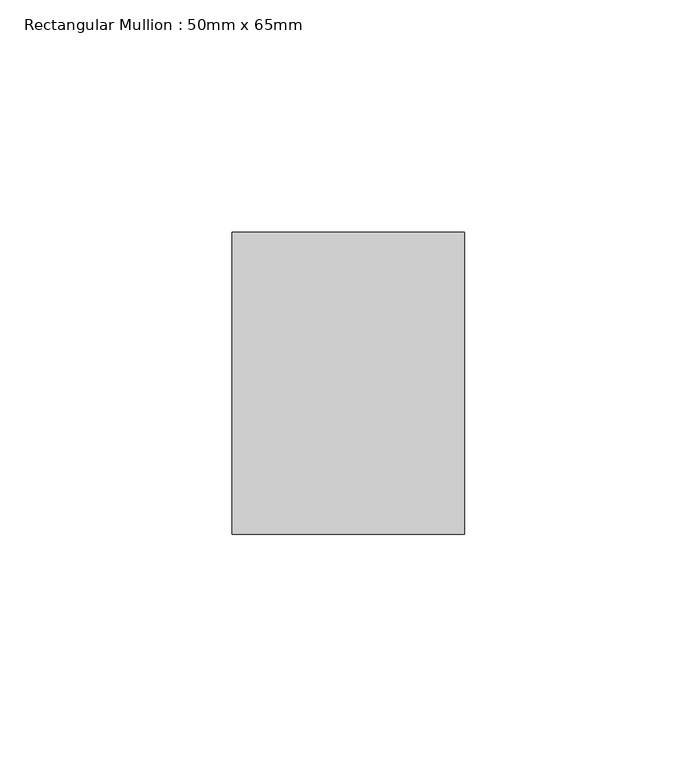
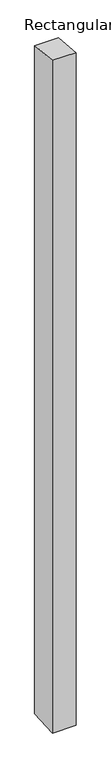
"""IFC4 building model written with IfcOpenShell, lengths in millimetres: member geometry, Rectangular Mullion : 50mm x 65mm."""

from ifc_helpers import new_model, si_unit, frame, origin, place, context, project, spatial, polyline, outline, extrude, source, transform, mapped, element, save


def rectangular_mullion_50mm_x_65mm_de91dfd1(model_context):
    return source(origin(), model_context, "Body", "SweptSolid", [
        extrude(outline(polyline([(-32.5, 3.1469373), (32.5, -3.1469372), (32.5, -1497.8334326), (-32.5, -1502.1653889), (-32.5, 3.1469373)])), frame((-25.0, 0.0, 0.0), z_axis=(1.0, 0.0, 0.0), x_axis=(0.0, 1.0, 0.0)), (0.0, 0.0, 1.0), 50.0),
    ])


if __name__ == "__main__":
    model = new_model("IFC4")
    model_context = context("Model", 3, world=origin())
    ifc_project = project(units=[si_unit("LENGTHUNIT", "METRE", prefix="MILLI")], contexts=[model_context])
    site = spatial("IfcSite", under=ifc_project)
    building = spatial("IfcBuilding", under=site)
    placement = place(None, origin())
    rectangular_mullion_50mm_x_65mm_shape = rectangular_mullion_50mm_x_65mm_de91dfd1(model_context)
    element("IfcMember", 1, ObjectType="Rectangular Mullion : 50mm x 65mm", at=placement, inside=building, context=model_context, shape_type="MappedRepresentation", body=[
        mapped(rectangular_mullion_50mm_x_65mm_shape, transform((0.0, 0.0, 0.0), x_axis=(1.0, 0.0, 0.0), y_axis=(0.0, 1.0, 0.0), z_axis=(0.0, 0.0, 1.0))),
    ])
    save(model, "model.ifc")
